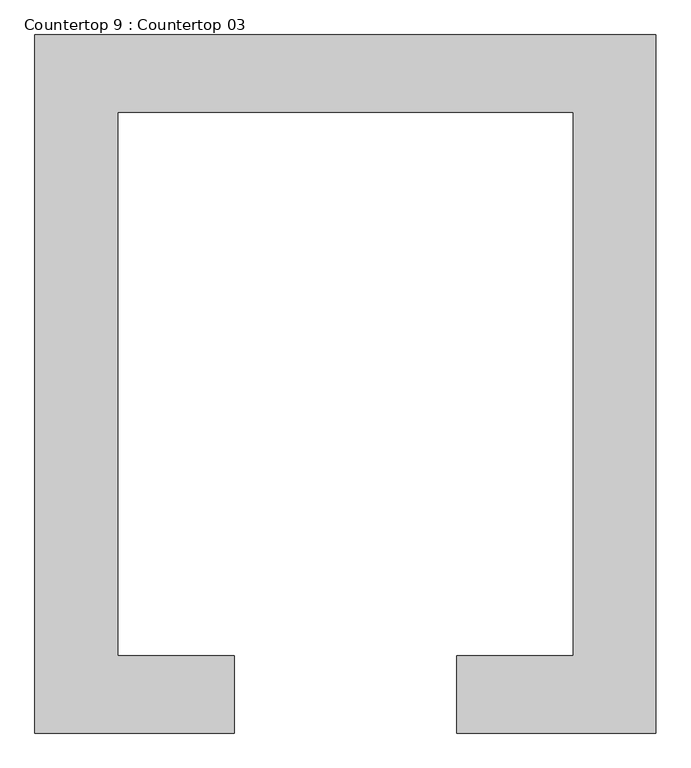
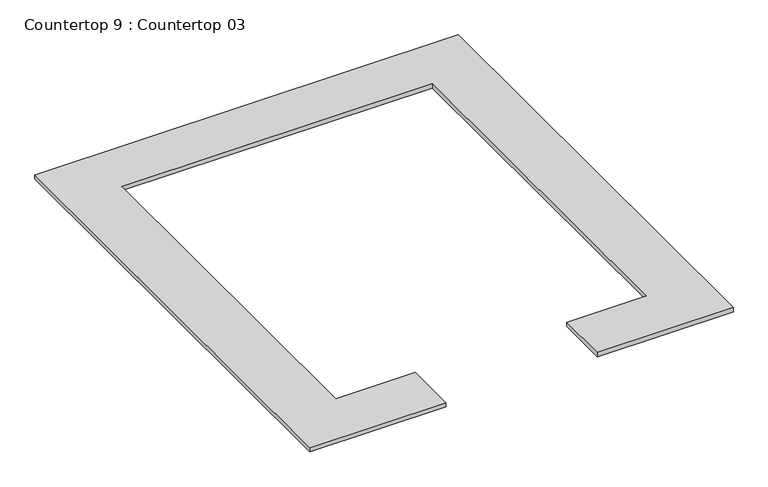
"""IFC4 building model written with IfcOpenShell, lengths in millimetres: proxy geometry, Countertop 9 : Countertop 03."""

from ifc_helpers import new_model, si_unit, frame, origin, place, context, project, spatial, polyline, outline, extrude, source, transform, mapped, element, save


def countertop_9_countertop_03_a4e02e00(model_context):
    return source(origin(), model_context, "Body", "SweptSolid", [
        extrude(outline(polyline([(51984.753484, -9231.9301669), (51984.753484, -14718.3301669), (50419.0768156, -14718.3301669), (50419.0768156, -14108.7301669), (51333.4768156, -14108.7301669), (51333.4768156, -9841.5301669), (47756.0551524, -9841.5301669), (47756.0551524, -14108.7301669), (48670.4551524, -14108.7301669), (48670.4551524, -14718.3301669), (47104.778484, -14718.3301669), (47104.778484, -9231.9301669), (51984.753484, -9231.9301669)])), frame((0.0, 0.0, 965.2), z_axis=(0.0, 0.0, 1.0), x_axis=(1.0, 0.0, 0.0)), (0.0, 0.0, 1.0), 50.8),
    ])


if __name__ == "__main__":
    model = new_model("IFC4")
    model_context = context("Model", 3, world=origin())
    ifc_project = project(units=[si_unit("LENGTHUNIT", "METRE", prefix="MILLI")], contexts=[model_context])
    site = spatial("IfcSite", under=ifc_project)
    building = spatial("IfcBuilding", under=site)
    placement = place(None, origin())
    countertop_9_countertop_03_shape = countertop_9_countertop_03_a4e02e00(model_context)
    element("IfcBuildingElementProxy", 1, Name="Countertop 9 : Countertop 03", ObjectType="Countertop 9 : Countertop 03", at=placement, inside=building, context=model_context, shape_type="MappedRepresentation", body=[
        mapped(countertop_9_countertop_03_shape, transform((0.0, 0.0, 0.0), x_axis=(1.0, 0.0, 0.0), y_axis=(0.0, 1.0, 0.0), z_axis=(0.0, 0.0, 1.0))),
    ])
    save(model, "model.ifc")
